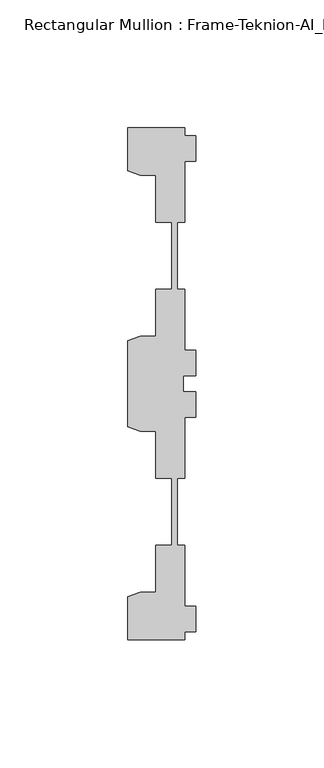
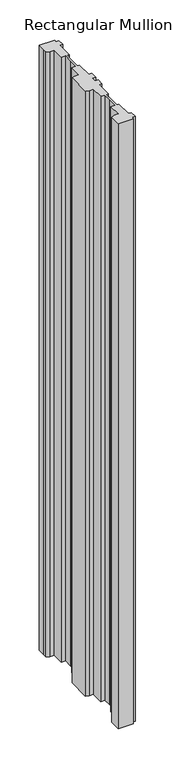
"""IFC4 building model written with IfcOpenShell, lengths in millimetres: member geometry, Rectangular Mullion : Frame-Teknion-AI_Healthcare-Ceiling_Double_Channel."""

from ifc_helpers import new_model, si_unit, frame, origin, place, context, project, spatial, polyline, outline, extrude, source, transform, mapped, element, save


def rectangular_mullion_frame_teknion_ai_healthcare_ceiling_2ff2d0a5(model_context):
    return source(origin(), model_context, "Body", "SweptSolid", [
        extrude(outline(polyline([(-4.2672007, -100.0110586), (-26.4921999, -100.0110586), (-26.4921999, -83.20115), (-21.6625199, -81.4690854), (-15.6737764, -81.4690854), (-15.6737764, -63.0920594), (-9.4507761, -63.0920594), (-9.4507761, -47.8659877), (-9.4507761, -36.9300571), (-15.6737764, -36.9300571), (-15.6737764, -18.5530311), (-21.6357055, -18.5530311), (-26.4921999, -16.8113452), (-26.4921999, 16.8113452), (-21.6625199, 18.5434146), (-15.6737764, 18.5434146), (-15.6737764, 36.9204406), (-9.4507761, 36.9204406), (-9.4507761, 50.8315128), (-9.4507761, 63.0824429), (-15.6737764, 63.0824429), (-15.6737764, 81.4594689), (-21.6625199, 81.4594689), (-26.4921999, 83.1915336), (-26.4921999, 90.2224424), (-26.4921999, 100.0014421), (-4.2672007, 100.0014421), (-4.2672007, 96.9534451), (0.0, 96.9534451), (0.0, 86.9534377), (-4.2672007, 86.9534377), (-4.2672007, 63.0824429), (-7.1647766, 63.0824429), (-7.1647766, 50.7500324), (-7.1647766, 36.9204406), (-4.2672007, 36.9204406), (-4.2672007, 13.0494413), (0.0, 13.0494413), (0.0, 3.0494419), (-4.7752002, 3.0494419), (-4.7752002, 0.0), (-4.7752002, -3.0494419), (0.0, -3.0494419), (0.0, -13.0494413), (-4.2672007, -13.0494413), (-4.2672007, -36.9204406), (-7.1647766, -36.9204406), (-7.1647766, -48.9859882), (-7.1647766, -63.0824429), (-4.2672007, -63.0824429), (-4.2672007, -86.9534377), (0.0, -86.9534377), (0.0, -96.9534451), (-4.2672007, -96.9534451), (-4.2672007, -100.0110586)])), frame((0.0, 0.0, -937.8316603), z_axis=(0.0, 0.0, 1.0), x_axis=(1.0, 0.0, 0.0)), (0.0, 0.0, 1.0), 937.8316603),
    ])


if __name__ == "__main__":
    model = new_model("IFC4")
    model_context = context("Model", 3, world=origin())
    ifc_project = project(units=[si_unit("LENGTHUNIT", "METRE", prefix="MILLI")], contexts=[model_context])
    site = spatial("IfcSite", under=ifc_project)
    building = spatial("IfcBuilding", under=site)
    placement = place(None, origin())
    rectangular_mullion_frame_teknion_ai_healthcare_ceiling_shape = rectangular_mullion_frame_teknion_ai_healthcare_ceiling_2ff2d0a5(model_context)
    element("IfcMember", 1, ObjectType="Rectangular Mullion : Frame-Teknion-AI_Healthcare-Ceiling_Double_Channel", at=placement, inside=building, context=model_context, shape_type="MappedRepresentation", body=[
        mapped(rectangular_mullion_frame_teknion_ai_healthcare_ceiling_shape, transform((0.0, 0.0, 0.0), x_axis=(1.0, 0.0, 0.0), y_axis=(0.0, 1.0, 0.0), z_axis=(0.0, 0.0, 1.0))),
    ])
    save(model, "model.ifc")
